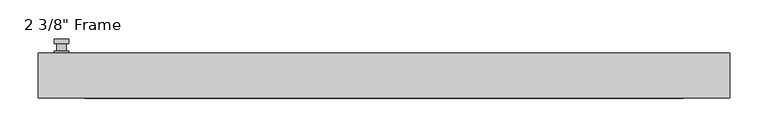
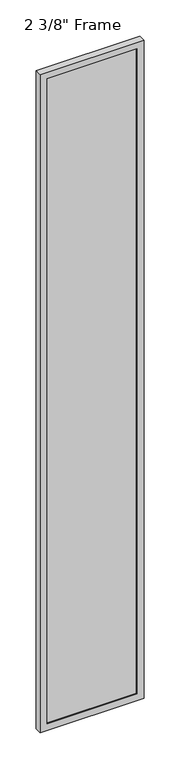
"""IFC4 building model written with IfcOpenShell, lengths in millimetres: plate geometry."""

import ifcopenshell
import ifcopenshell.guid

model = None  # the IFC model being written
_history = None  # IfcOwnerHistory: only IFC2X3 demands one
_inside = {}  # id of a spatial element -> (the spatial element, [elements in it])
_under = {}  # id of a project, library or spatial element -> (it, [spatial elements below it])
_declared = {}  # id of a project -> (the project, [libraries it declares])
_typed = {}  # id of a type object -> (the type object, [elements of that type])
_made_of = {}  # id of a material, layer set ... -> (it, [elements and type objects made of it])


def new_model(schema):
    """Start an empty IFC model of exactly this schema.

    Asked for "IFC4X3", IfcOpenShell would pick the latest addendum, in which some entities
    have other attributes; the version numbers below select the first issue.
    IFC2X3 requires an IfcOwnerHistory on every rooted entity: one is made here for all.
    """
    global model, _history
    if schema == "IFC4X3":
        model = ifcopenshell.file(schema_version=(4, 3, 0, 0))
    else:
        model = ifcopenshell.file(schema=schema)
    _inside.clear()
    _under.clear()
    _declared.clear()
    _typed.clear()
    _made_of.clear()
    _history = None
    if model.schema == "IFC2X3":
        org = make("IfcOrganization", Name="unknown")
        user = make(
            "IfcPersonAndOrganization",
            ThePerson=make("IfcPerson", FamilyName="unknown"),
            TheOrganization=org,
        )
        app = make(
            "IfcApplication",
            ApplicationDeveloper=org,
            Version="unknown",
            ApplicationFullName="unknown",
            ApplicationIdentifier="unknown",
        )
        _history = make(
            "IfcOwnerHistory",
            OwningUser=user,
            OwningApplication=app,
            ChangeAction="ADDED",
            CreationDate=0,
        )
    return model


def make(cls, **values):
    """One entity of the class cls with the attributes given. An attribute that is None is left unset."""
    return model.create_entity(
        cls, **{name: value for name, value in values.items() if value is not None}
    )


def rooted(cls, **values):
    """An entity with a GlobalId (a new one), such as an element, a storey or a relation."""
    return make(cls, GlobalId=ifcopenshell.guid.new(), OwnerHistory=_history, **values)


def si_unit(unit_type, name, prefix=None):
    """IfcSIUnit, for example si_unit("LENGTHUNIT", "METRE", prefix="MILLI")."""
    return make("IfcSIUnit", UnitType=unit_type, Prefix=prefix, Name=name)


def assignment(units):
    """IfcUnitAssignment: the units of a project."""
    return None if units is None else make("IfcUnitAssignment", Units=units)


def point(xyz):
    """IfcCartesianPoint."""
    return None if xyz is None else make("IfcCartesianPoint", Coordinates=xyz)


def direction(xyz):
    """IfcDirection."""
    return None if xyz is None else make("IfcDirection", DirectionRatios=xyz)


def frame(location, z_axis=None, x_axis=None):
    """IfcAxis2Placement3D, a coordinate frame: its origin and axes. An axis left out is left unset."""
    return make(
        "IfcAxis2Placement3D",
        Location=point(location),
        Axis=direction(z_axis),
        RefDirection=direction(x_axis),
    )


def origin():
    """The frame at (0, 0, 0) with its axes left unset."""
    return frame((0.0, 0.0, 0.0))


def place(relative_to, where):
    """IfcLocalPlacement: puts the frame where relative to a parent placement (None: the world)."""
    return make(
        "IfcLocalPlacement", PlacementRelTo=relative_to, RelativePlacement=where
    )


def context(
    kind, dimensions, precision=None, world=None, true_north=None, identifier=None
):
    """IfcGeometricRepresentationContext, for example the 3D "Model" context."""
    return make(
        "IfcGeometricRepresentationContext",
        ContextIdentifier=identifier,
        ContextType=kind,
        CoordinateSpaceDimension=dimensions,
        Precision=precision,
        WorldCoordinateSystem=world,
        TrueNorth=true_north,
    )


def project(units=None, contexts=None):
    """IfcProject with its units and contexts."""
    return rooted(
        "IfcProject",
        Name="project",
        RepresentationContexts=contexts,
        UnitsInContext=assignment(units),
    )


def spatial(cls, under=None, at=None, **own):
    """A site, building, storey or space (cls), placed at a placement, below another one or the project."""
    s = rooted(cls, ObjectPlacement=at, **own)
    if under is not None:
        _under.setdefault(under.id(), (under, []))[1].append(s)
    return s


def polyline(points):
    """IfcPolyline through the points."""
    return make("IfcPolyline", Points=[point(p) for p in points])


def circle_curve(where, radius):
    """IfcCircle in the frame where."""
    return make("IfcCircle", Position=where, Radius=radius)


def outline(outer, holes=None, kind="AREA"):
    """IfcArbitraryClosedProfileDef: a profile drawn as a closed curve; with holes, ...WithVoids."""
    if holes is None:
        return make("IfcArbitraryClosedProfileDef", ProfileType=kind, OuterCurve=outer)
    return make(
        "IfcArbitraryProfileDefWithVoids",
        ProfileType=kind,
        OuterCurve=outer,
        InnerCurves=holes,
    )


def extrude(swept, where, along, depth):
    """IfcExtrudedAreaSolid: the profile swept, set in the frame where, extruded along a direction by depth."""
    return make(
        "IfcExtrudedAreaSolid",
        SweptArea=swept,
        Position=where,
        ExtrudedDirection=direction(along),
        Depth=depth,
    )


def faces_of(points, faces, orient=None, outer=None):
    """IfcFace entities. A face is a list of loops; a loop is a list of indices into points, from 0.

    orient and outer hold one flag for each loop. By default every Orientation is true, the
    first loop of a face is its IfcFaceOuterBound and the others are IfcFaceBound.
    """
    made = []
    for i, loops in enumerate(faces):
        bounds = []
        for j, loop in enumerate(loops):
            is_outer = j == 0 if outer is None else outer[i][j]
            bounds.append(
                make(
                    "IfcFaceOuterBound" if is_outer else "IfcFaceBound",
                    Bound=make("IfcPolyLoop", Polygon=[points[k] for k in loop]),
                    Orientation=True if orient is None else orient[i][j],
                )
            )
        made.append(make("IfcFace", Bounds=bounds))
    return made


def faceted_brep(points, faces, orient=None, outer=None, voids=None):
    """IfcFacetedBrep: a solid bounded by flat faces; with voids (closed shells), ...WithVoids."""
    shared = [point(p) for p in points]
    hull = make("IfcClosedShell", CfsFaces=faces_of(shared, faces, orient, outer))
    if voids is None:
        return make("IfcFacetedBrep", Outer=hull)
    return make(
        "IfcFacetedBrepWithVoids",
        Outer=hull,
        Voids=[
            make(cls, CfsFaces=faces_of(shared, fs, o, b)) for cls, fs, o, b in voids
        ],
    )


def shape(context_of_items, identifier, shape_type, items):
    """IfcShapeRepresentation: the items that make up one representation, for example the "Body"."""
    return make(
        "IfcShapeRepresentation",
        ContextOfItems=context_of_items,
        RepresentationIdentifier=identifier,
        RepresentationType=shape_type,
        Items=items,
    )


def source(mapping_origin, context_of_items, identifier, shape_type, items):
    """IfcRepresentationMap: a shape defined once, which mapped items show again and again."""
    return make(
        "IfcRepresentationMap",
        MappingOrigin=mapping_origin,
        MappedRepresentation=shape(context_of_items, identifier, shape_type, items),
    )


def transform(
    local_origin,
    x_axis=None,
    y_axis=None,
    z_axis=None,
    scale=None,
    scale2=None,
    scale3=None,
    uniform=True,
):
    """IfcCartesianTransformationOperator3D, or its non-uniform kind. x_axis, y_axis, z_axis: its Axis1, 2, 3."""
    if uniform:
        return make(
            "IfcCartesianTransformationOperator3D",
            Axis1=direction(x_axis),
            Axis2=direction(y_axis),
            LocalOrigin=point(local_origin),
            Scale=scale,
            Axis3=direction(z_axis),
        )
    return make(
        "IfcCartesianTransformationOperator3DnonUniform",
        Axis1=direction(x_axis),
        Axis2=direction(y_axis),
        LocalOrigin=point(local_origin),
        Scale=scale,
        Axis3=direction(z_axis),
        Scale2=scale2,
        Scale3=scale3,
    )


def mapped(mapping_source, mapping_target):
    """IfcMappedItem: shows the shape of a source again, moved by a transform."""
    return make(
        "IfcMappedItem", MappingSource=mapping_source, MappingTarget=mapping_target
    )


def made_of(thing, what):
    """Note that an element or type object is made of a material, layer set ...; save() writes the relation."""
    if what is not None:
        _made_of.setdefault(what.id(), (what, []))[1].append(thing)
    return thing


def element(
    cls,
    number,
    at=None,
    inside=None,
    cuts=None,
    type_object=None,
    material=None,
    context=None,
    identifier="Body",
    shape_type=None,
    held_by="IfcProductDefinitionShape",
    body=None,
    shapes=None,
    **own,
):
    """One element of the class cls, such as IfcWall. Its Tag is "e" and its number.

    at: its placement. inside: the storey or other place that contains it. cuts: it is an
    opening in that element (IfcRelVoidsElement). A single representation is given by context,
    identifier, shape_type and body (its items); several are given by shapes. held_by: the class
    of the entity that holds the representations. save() writes the other relations.
    """
    e = rooted(cls, Tag="e%d" % number, ObjectPlacement=at, **own)
    if body is not None:
        shapes = [shape(context, identifier, shape_type, body)]
    if shapes is not None:
        e.Representation = make(held_by, Representations=shapes)
    if inside is not None:
        _inside.setdefault(inside.id(), (inside, []))[1].append(e)
    if cuts is not None:
        rooted(
            "IfcRelVoidsElement", RelatingBuildingElement=cuts, RelatedOpeningElement=e
        )
    if type_object is not None:
        _typed.setdefault(type_object.id(), (type_object, []))[1].append(e)
    return made_of(e, material)


def aggregate(whole, parts):
    """IfcRelAggregates: a whole, such as a stair, and the parts it consists of."""
    return rooted("IfcRelAggregates", RelatingObject=whole, RelatedObjects=parts)


def save(model, path):
    """Write the relations noted so far, then the file.

    IfcRelAggregates (storeys below a building ...), IfcRelContainedInSpatialStructure (elements
    in a storey), IfcRelDefinesByType, IfcRelAssociatesMaterial and IfcRelDeclares: one each for
    every whole, place, type object, material and project.
    """
    for whole, parts in _under.values():
        aggregate(whole, parts)
    for where, things in _inside.values():
        rooted(
            "IfcRelContainedInSpatialStructure",
            RelatedElements=things,
            RelatingStructure=where,
        )
    for kind, things in _typed.values():
        rooted("IfcRelDefinesByType", RelatedObjects=things, RelatingType=kind)
    for what, things in _made_of.values():
        rooted("IfcRelAssociatesMaterial", RelatedObjects=things, RelatingMaterial=what)
    for by, libraries in _declared.values():
        rooted("IfcRelDeclares", RelatingContext=by, RelatedDefinitions=libraries)
    model.write(path)


def plane_surface(at):
    """IfcPlane: the flat surface through the origin of the frame at, square to its z axis."""
    return make("IfcPlane", Position=at)


def cylinder_surface(at, radius):
    """IfcCylindricalSurface: all points at the distance radius from the z axis of the frame at."""
    return make("IfcCylindricalSurface", Position=at, Radius=radius)


def advanced_brep(points, edges, surfaces, faces):
    """IfcAdvancedBrep: a solid bounded by faces that lie on surfaces and meet in shared edges.

    An edge is (start, end): straight between two places in points (the first is 0);
    or (start, end, curve); or (start, end, curve, False) where it runs against its curve.
    A face is (place in surfaces, loops), or (place, loops, False) where it looks against
    its surface's normal. A loop lists edges by number (the first is 1), with a minus sign
    where the edge is run from its end to its start. The first loop is the outer one.
    """
    corners = [point(p) for p in points]
    vertices = [make("IfcVertexPoint", VertexGeometry=c) for c in corners]
    made = []
    for start, end, *more in edges:
        made.append(
            make(
                "IfcEdgeCurve",
                EdgeStart=vertices[start],
                EdgeEnd=vertices[end],
                EdgeGeometry=more[0] if more else make("IfcPolyline", Points=[corners[start], corners[end]]),
                SameSense=more[1] if len(more) > 1 else True,
            )
        )
    hull = []
    for where, loops, *sense in faces:
        bounds = []
        for j, loop in enumerate(loops):
            ring = [make("IfcOrientedEdge", EdgeElement=made[abs(k) - 1], Orientation=k > 0) for k in loop]
            bounds.append(
                make(
                    "IfcFaceOuterBound" if j == 0 else "IfcFaceBound",
                    Bound=make("IfcEdgeLoop", EdgeList=ring),
                    Orientation=True,
                )
            )
        hull.append(make("IfcAdvancedFace", Bounds=bounds, FaceSurface=surfaces[where], SameSense=sense[0] if sense else True))
    return make("IfcAdvancedBrep", Outer=make("IfcClosedShell", CfsFaces=hull))


def plate_2e953052(model_context):
    return source(origin(), model_context, "Body", "SolidModel", [
        advanced_brep(
        [(-410.5275, 29.36875, 927.1), (-429.5775, 29.36875, 927.1), (-429.5775, 29.36875, 901.7), (-410.5275, 29.36875, 901.7), (-413.7025, 42.06875, 914.4), (-413.7025, 32.54375, 914.4), (-426.4025, 32.54375, 914.4), (-426.4025, 42.06875, 914.4), (-410.5275, 42.06875, 914.4), (-429.5775, 42.06875, 914.4), (-426.3984644, 42.06875, 825.2736467), (-413.7065356, 42.06875, 825.2736467), (-410.5275, 48.41875, 914.4), (-413.7065356, 48.41875, 825.2736467), (-426.3984644, 48.41875, 825.2736467), (-429.5775, 48.41875, 914.4), (-410.5275, 32.54375, 927.1), (-410.5275, 32.54375, 901.7), (-429.5775, 32.54375, 901.7), (-429.5775, 32.54375, 927.1)],
        [
            (0, 1, circle_curve(frame((-420.0525, 29.36875, 927.1), z_axis=(0.0, -1.0, 0.0), x_axis=(-1.0, 0.0, 0.0)), 9.525)),
            (1, 2),
            (2, 3, circle_curve(frame((-420.0525, 29.36875, 901.7), z_axis=(0.0, -1.0, 0.0), x_axis=(-1.0, 0.0, 0.0)), 9.525)),
            (3, 0),
            (4, 5),
            (5, 6, circle_curve(frame((-420.0525, 32.54375, 914.4), z_axis=(0.0, 1.0, 0.0), x_axis=(-1.0, 0.0, 0.0)), 6.35)),
            (6, 7),
            (7, 4, circle_curve(frame((-420.0525, 42.06875, 914.4), z_axis=(0.0, -1.0, 0.0), x_axis=(-1.0, 0.0, 0.0)), 6.35)),
            (6, 5, circle_curve(frame((-420.0525, 32.54375, 914.4), z_axis=(0.0, 1.0, 0.0), x_axis=(-1.0, 0.0, 0.0)), 6.35)),
            (4, 7, circle_curve(frame((-420.0525, 42.06875, 914.4), z_axis=(0.0, -1.0, 0.0), x_axis=(-1.0, 0.0, 0.0)), 6.35)),
            (8, 9, circle_curve(frame((-420.0525, 42.06875, 914.4), z_axis=(0.0, -1.0, 0.0), x_axis=(-1.0, 0.0, 0.0)), 9.525)),
            (9, 10),
            (10, 11, circle_curve(frame((-420.0525, 42.06875, 825.5), z_axis=(0.0, -1.0, 0.0), x_axis=(-1.0, 0.0, 0.0)), 6.35)),
            (11, 8),
            (12, 13),
            (13, 14, circle_curve(frame((-420.0525, 48.41875, 825.5), z_axis=(0.0, 1.0, 0.0), x_axis=(-1.0, 0.0, 0.0)), 6.35)),
            (14, 15),
            (15, 12, circle_curve(frame((-420.0525, 48.41875, 914.4), z_axis=(0.0, 1.0, 0.0), x_axis=(-1.0, 0.0, 0.0)), 9.525)),
            (11, 13),
            (12, 8),
            (10, 14),
            (9, 15),
            (16, 17),
            (17, 18, circle_curve(frame((-420.0525, 32.54375, 901.7), z_axis=(0.0, 1.0, 0.0), x_axis=(-1.0, 0.0, 0.0)), 9.525)),
            (18, 19),
            (19, 16, circle_curve(frame((-420.0525, 32.54375, 927.1), z_axis=(0.0, 1.0, 0.0), x_axis=(-1.0, 0.0, 0.0)), 9.525)),
            (3, 17),
            (16, 0),
            (2, 18),
            (1, 19),
        ],
        [
            plane_surface(frame((-426.4025, 29.36875, 914.4), z_axis=(0.0, -1.0, 0.0), x_axis=(0.0, 0.0, 1.0))),
            cylinder_surface(frame((-420.0525, 42.06875, 914.4), z_axis=(0.0, -1.0, 0.0), x_axis=(-1.0, 0.0, 0.0)), 6.35),
            plane_surface(frame((-410.5275, 42.06875, 914.4), z_axis=(0.0, -1.0000000000000002, 0.0), x_axis=(-0.03564619348186888, 0.0, -0.9993644724975235))),
            plane_surface(frame((-410.5275, 48.41875, 914.4), z_axis=(0.0, 1.0000000000000002, 0.0), x_axis=(0.03564619348186888, 0.0, 0.9993644724975235))),
            plane_surface(frame((-410.5275, 42.06875, 914.4), z_axis=(0.9993644724975235, 0.0, -0.03564619348186888), x_axis=(0.0, 1.0, 0.0))),
            cylinder_surface(frame((-420.0525, 48.41875, 825.5), z_axis=(0.0, -1.0, 0.0), x_axis=(-1.0, 0.0, 0.0)), 6.35),
            plane_surface(frame((-426.3984644, 42.06875, 825.2736467), z_axis=(-0.9993644724975228, 0.0, -0.03564619348188612), x_axis=(0.0, 1.0, 0.0))),
            cylinder_surface(frame((-420.0525, 48.41875, 914.4), z_axis=(0.0, -1.0, 0.0), x_axis=(-1.0, 0.0, 0.0)), 9.525),
            plane_surface(frame((-410.5275, 32.54375, 901.7), z_axis=(0.0, 1.0, 0.0), x_axis=(0.0, 0.0, 1.0))),
            plane_surface(frame((-410.5275, 29.36875, 927.1), z_axis=(1.0, 0.0, 0.0), x_axis=(0.0, 1.0, 0.0))),
            cylinder_surface(frame((-420.0525, 32.54375, 901.7), z_axis=(0.0, -1.0, 0.0), x_axis=(-1.0, 0.0, 0.0)), 9.525),
            plane_surface(frame((-429.5775, 29.36875, 901.7), z_axis=(-1.0, 0.0, 0.0), x_axis=(0.0, 1.0, 0.0))),
            cylinder_surface(frame((-420.0525, 32.54375, 927.1), z_axis=(0.0, -1.0, 0.0), x_axis=(-1.0, 0.0, 0.0)), 9.525),
        ],
        [
            (0, [[1, 2, 3, 4]]),
            (1, [[5, 6, 7, 8]]),
            (1, [[-7, 9, -5, 10]]),
            (2, [[11, 12, 13, 14], [-10, -8]]),
            (3, [[15, 16, 17, 18]]),
            (4, [[19, -15, 20, -14]]),
            (5, [[21, -16, -19, -13]]),
            (6, [[22, -17, -21, -12]]),
            (7, [[-20, -18, -22, -11]]),
            (8, [[23, 24, 25, 26], [-9, -6]]),
            (9, [[27, -23, 28, -4]]),
            (10, [[29, -24, -27, -3]]),
            (11, [[30, -25, -29, -2]]),
            (12, [[-28, -26, -30, -1]]),
        ],
    ),
        faceted_brep([(-450.215, 29.36875, 0.0), (450.215, 29.36875, 0.0), (450.215, -29.36875, 0.0), (-450.215, -29.36875, 0.0), (-389.89, -29.36875, 5959.475), (-389.89, -29.36875, 60.325), (-389.89, -19.84375, 60.325), (-389.89, -19.84375, 5959.475), (402.59, -19.84375, 5972.175), (402.59, -19.84375, 47.625), (-402.59, -19.84375, 47.625), (-402.59, -19.84375, 5972.175), (389.89, -19.84375, 60.325), (389.89, -19.84375, 5959.475), (-402.59, 3.96875, 47.625), (-402.59, 3.96875, 5972.175), (402.59, 3.96875, 47.625), (402.59, 3.96875, 5972.175), (-389.89, 3.96875, 5959.475), (389.89, 3.96875, 5959.475), (389.89, 3.96875, 60.325), (-389.89, 3.96875, 60.325), (-389.89, 29.36875, 60.325), (-389.89, 29.36875, 5959.475), (-450.215, 29.36875, 6019.8), (450.215, 29.36875, 6019.8), (389.89, 29.36875, 60.325), (389.89, 29.36875, 5959.475), (-450.215, -29.36875, 6019.8), (450.215, -29.36875, 6019.8), (389.89, -29.36875, 5959.475), (389.89, -29.36875, 60.325)], [[[0, 1, 2, 3]], [[4, 5, 6, 7]], [[8, 9, 10, 11], [7, 6, 12, 13]], [[10, 14, 15, 11]], [[15, 14, 16, 17], [18, 19, 20, 21]], [[18, 21, 22, 23]], [[0, 24, 25, 1], [23, 22, 26, 27]], [[3, 28, 24, 0]], [[2, 29, 28, 3], [4, 30, 31, 5]], [[7, 13, 30, 4]], [[11, 15, 17, 8]], [[18, 23, 27, 19]], [[24, 28, 29, 25]], [[13, 12, 31, 30]], [[16, 9, 8, 17]], [[27, 26, 20, 19]], [[25, 29, 2, 1]], [[22, 21, 20, 26]], [[9, 16, 14, 10]], [[6, 5, 31, 12]]]),
        extrude(outline(polyline([(402.59, 3.96875), (402.59, -19.84375), (-402.59, -19.84375), (-402.59, 3.96875), (402.59, 3.96875)])), frame((0.0, 0.0, 47.625), z_axis=(0.0, 0.0, 1.0), x_axis=(1.0, 0.0, 0.0)), (0.0, 0.0, 1.0), 5924.55),
    ])


if __name__ == "__main__":
    model = new_model("IFC4")
    model_context = context("Model", 3, world=origin())
    ifc_project = project(units=[si_unit("LENGTHUNIT", "METRE", prefix="MILLI")], contexts=[model_context])
    site = spatial("IfcSite", under=ifc_project)
    building = spatial("IfcBuilding", under=site)
    placement = place(None, origin())
    plate_shape = plate_2e953052(model_context)
    element("IfcPlate", 1, ObjectType="2 3/8\" Frame", at=placement, inside=building, context=model_context, shape_type="MappedRepresentation", body=[
        mapped(plate_shape, transform((0.0, 0.0, 0.0), x_axis=(1.0, 0.0, 0.0), y_axis=(0.0, 1.0, 0.0), z_axis=(0.0, 0.0, 1.0))),
    ])
    save(model, "model.ifc")
